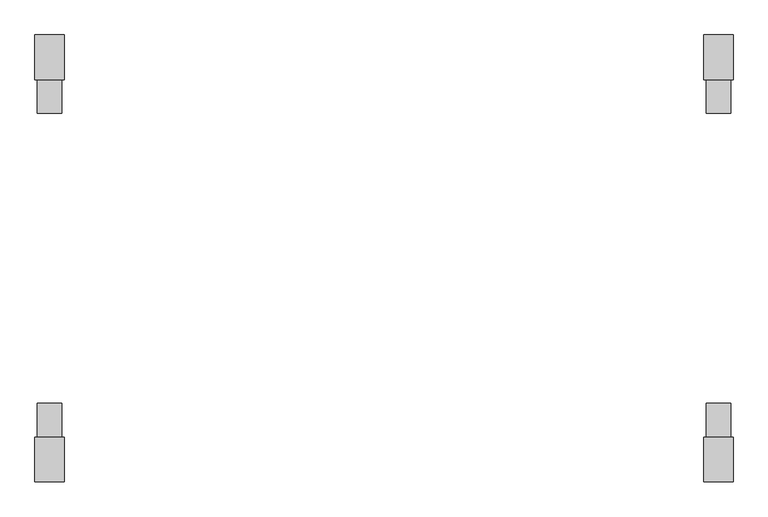
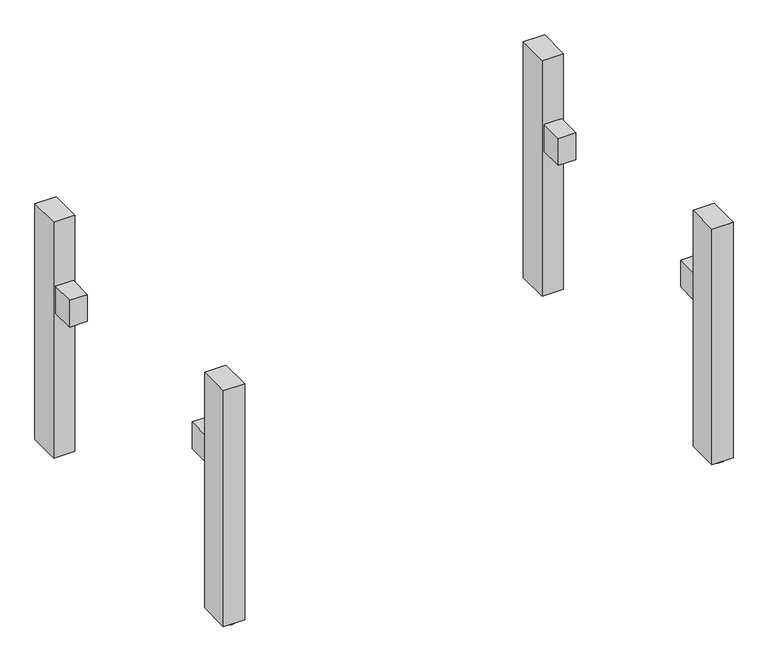
"""IFC4 building model written with IfcOpenShell, lengths in millimetres: furniture geometry."""

from ifc_helpers import new_model, si_unit, point, frame, frame_2d, origin, origin_with_axes, place, context, project, spatial, polyline, circle_curve, trimmed, segment, composite_curve, outline, extrude, source, transform, mapped, element, save


def furniture_a4803ebf(model_context):
    return source(origin(), model_context, "Body", "SweptSolid", [
        extrude(outline(polyline([(-715.0, 369.0), (-665.0, 369.0), (-665.0, 299.0), (-715.0, 299.0), (-715.0, 369.0)])), frame((0.0, 0.0, 437.5), z_axis=(0.0, 0.0, 1.0), x_axis=(1.0, 0.0, 0.0)), (0.0, 0.0, 1.0), 80.0),
        extrude(outline(polyline([(665.0, 369.0), (715.0, 369.0), (715.0, 299.0), (665.0, 299.0), (665.0, 369.0)])), frame((0.0, 0.0, 437.5), z_axis=(0.0, 0.0, 1.0), x_axis=(1.0, 0.0, 0.0)), (0.0, 0.0, 1.0), 80.0),
        extrude(outline(polyline([(-665.0, -369.0), (-715.0, -369.0), (-715.0, -299.0), (-665.0, -299.0), (-665.0, -369.0)])), frame((0.0, 0.0, 437.5), z_axis=(0.0, 0.0, 1.0), x_axis=(1.0, 0.0, 0.0)), (0.0, 0.0, 1.0), 80.0),
        extrude(outline(polyline([(715.0, -369.0), (665.0, -369.0), (665.0, -299.0), (715.0, -299.0), (715.0, -369.0)])), frame((0.0, 0.0, 437.5), z_axis=(0.0, 0.0, 1.0), x_axis=(1.0, 0.0, 0.0)), (0.0, 0.0, 1.0), 80.0),
        extrude(outline(composite_curve([segment(trimmed(circle_curve(frame_2d((-689.9999984, 431.0)), 25.0), [point((-714.9999984, 431.0))], [point((-664.9999984, 431.0))], False, "CARTESIAN"), True, "CONTINUOUS"), segment(trimmed(circle_curve(frame_2d((-689.9999984, 431.0)), 25.0), [point((-664.9999984, 431.0))], [point((-714.9999984, 431.0))], False, "CARTESIAN"), True, "CONTINUOUS")], self_intersect=False)), origin_with_axes(), (0.0, 0.0, 1.0), 6.0),
        extrude(outline(composite_curve([segment(trimmed(circle_curve(frame_2d((689.9999984, 431.0)), 25.0), [point((664.9999984, 431.0))], [point((714.9999984, 431.0))], False, "CARTESIAN"), True, "CONTINUOUS"), segment(trimmed(circle_curve(frame_2d((689.9999984, 431.0)), 25.0), [point((714.9999984, 431.0))], [point((664.9999984, 431.0))], False, "CARTESIAN"), True, "CONTINUOUS")], self_intersect=False)), origin_with_axes(), (0.0, 0.0, 1.0), 6.0),
        extrude(outline(composite_curve([segment(trimmed(circle_curve(frame_2d((-689.9999984, -431.0)), 25.0), [point((-714.9999984, -431.0))], [point((-664.9999984, -431.0))], False, "CARTESIAN"), True, "CONTINUOUS"), segment(trimmed(circle_curve(frame_2d((-689.9999984, -431.0)), 25.0), [point((-664.9999984, -431.0))], [point((-714.9999984, -431.0))], False, "CARTESIAN"), True, "CONTINUOUS")], self_intersect=False)), origin_with_axes(), (0.0, 0.0, 1.0), 6.0),
        extrude(outline(composite_curve([segment(trimmed(circle_curve(frame_2d((689.9999984, -431.0)), 25.0), [point((664.9999984, -431.0))], [point((714.9999984, -431.0))], False, "CARTESIAN"), True, "CONTINUOUS"), segment(trimmed(circle_curve(frame_2d((689.9999984, -431.0)), 25.0), [point((714.9999984, -431.0))], [point((664.9999984, -431.0))], False, "CARTESIAN"), True, "CONTINUOUS")], self_intersect=False)), origin_with_axes(), (0.0, 0.0, 1.0), 6.0),
        extrude(outline(polyline([(-659.9999968, -461.0), (-720.0, -461.0), (-720.0, -369.0), (-659.9999968, -369.0), (-659.9999968, -461.0)])), frame((0.0, 0.0, 6.0), z_axis=(0.0, 0.0, 1.0), x_axis=(1.0, 0.0, 0.0)), (0.0, 0.0, 1.0), 704.0),
        extrude(outline(polyline([(659.9999968, -461.0), (659.9999968, -369.0), (720.0, -369.0), (720.0, -461.0), (659.9999968, -461.0)])), frame((0.0, 0.0, 6.0), z_axis=(0.0, 0.0, 1.0), x_axis=(1.0, 0.0, 0.0)), (0.0, 0.0, 1.0), 704.0),
        extrude(outline(polyline([(-659.9999968, 461.0), (-659.9999968, 369.0), (-720.0, 369.0), (-720.0, 461.0), (-659.9999968, 461.0)])), frame((0.0, 0.0, 6.0), z_axis=(0.0, 0.0, 1.0), x_axis=(1.0, 0.0, 0.0)), (0.0, 0.0, 1.0), 704.0),
        extrude(outline(polyline([(659.9999968, 461.0), (720.0, 461.0), (720.0, 369.0), (659.9999968, 369.0), (659.9999968, 461.0)])), frame((0.0, 0.0, 6.0), z_axis=(0.0, 0.0, 1.0), x_axis=(1.0, 0.0, 0.0)), (0.0, 0.0, 1.0), 704.0),
    ])


if __name__ == "__main__":
    model = new_model("IFC4")
    model_context = context("Model", 3, world=origin())
    ifc_project = project(units=[si_unit("LENGTHUNIT", "METRE", prefix="MILLI")], contexts=[model_context])
    site = spatial("IfcSite", under=ifc_project)
    building = spatial("IfcBuilding", under=site)
    placement = place(None, origin())
    furniture_shape = furniture_a4803ebf(model_context)
    element("IfcFurniture", 1, at=placement, inside=building, context=model_context, shape_type="MappedRepresentation", body=[
        mapped(furniture_shape, transform((0.0, 0.0, 0.0), x_axis=(1.0, 0.0, 0.0), y_axis=(0.0, 1.0, 0.0), z_axis=(0.0, 0.0, 1.0))),
    ])
    save(model, "model.ifc")
